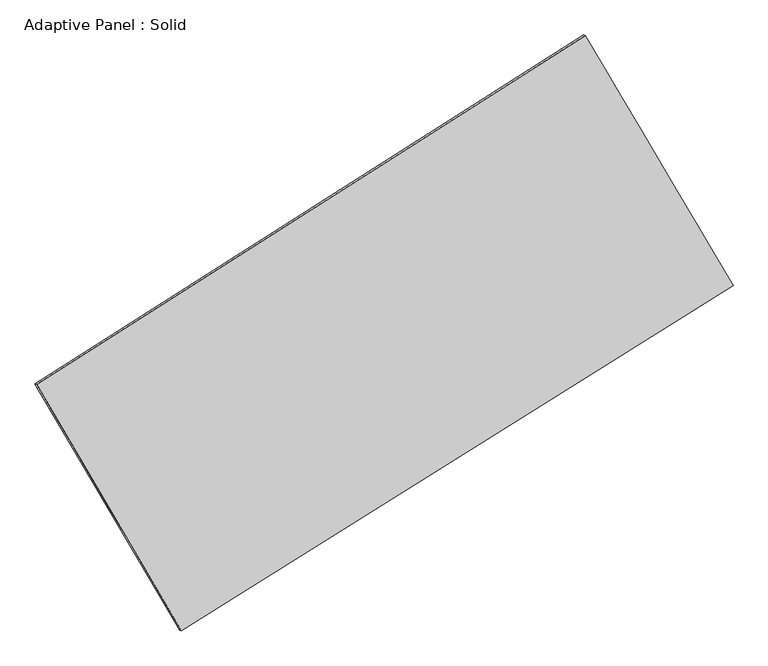
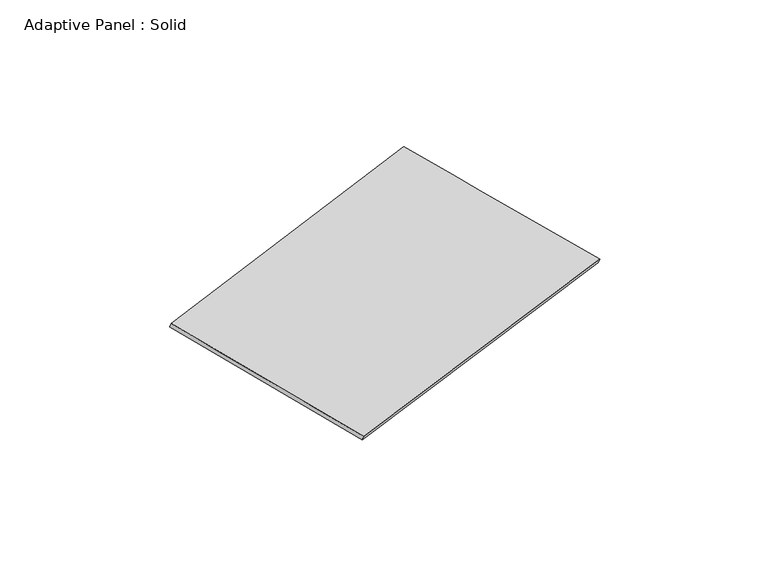
"""IFC4 building model written with IfcOpenShell, lengths in millimetres: plate geometry, Adaptive Panel : Solid."""

from ifc_helpers import new_model, si_unit, frame, origin, place, context, project, spatial, source, transform, mapped, element, save
from ifc_brep_helpers import plane_surface, spline_surface, advanced_brep


def adaptive_panel_solid_92b022d8(model_context):
    return source(origin(), model_context, "Body", "AdvancedBrep", [
        advanced_brep(
        [(1137.1874801, 2554.8859967, 668.5741523), (-3739.1862914, -548.0399909, 1773.890924), (-3724.5199356, -554.4200844, 1821.263832), (1151.8538359, 2548.5059032, 715.9470603), (-2451.8329163, -2738.6190308, 1066.7023574), (-2437.1665605, -2744.9991243, 1114.0752655), (2450.5411495, 331.5244522, -24.0449135), (2465.2075054, 325.1443588, 23.3279945)],
        [
            (0, 1),
            (1, 2),
            (2, 3),
            (3, 0),
            (1, 4),
            (4, 5),
            (5, 2),
            (4, 6),
            (6, 7),
            (7, 5),
            (6, 0),
            (3, 7),
        ],
        [
            plane_surface(frame((-1300.9994057, 1003.4230029, 1221.2325381), z_axis=(-0.4756216872548242, 0.8402209443118783, 0.260408861893235), x_axis=(-0.828662457424659, -0.5272931064361358, 0.18783107187005918))),
            plane_surface(frame((-3095.5096039, -1643.3295109, 1420.2966407), z_axis=(-0.8211582489289385, -0.5411209867165623, 0.18134830561892146), x_axis=(0.4881092347406094, -0.830573702208907, -0.2681356003217897))),
            plane_surface(frame((-0.6458834, -1203.5472893, 521.328722), z_axis=(0.4705243517913196, -0.8434387625076636, -0.2592641283920696), x_axis=(0.8328416947976004, 0.5215725008644854, -0.18530201765935264))),
            plane_surface(frame((1793.8643148, 1443.2052245, 322.2646194), z_axis=(0.820980780330368, 0.541422184290647, -0.18125279773312342), x_axis=(-0.4912366591174976, 0.8316089736328083, 0.25906188394371443))),
            spline_surface(1, 1, [[(-3724.5199356, -554.4200844, 1821.263832), (1151.8538359, 2548.5059032, 715.9470603)], [(-2437.1665605, -2744.9991243, 1114.0752655), (2465.2075054, 325.1443588, 23.3279945)]], [2, 2], [2, 2], [0.0, 1.0], [0.0, 1.0]),
            spline_surface(1, 1, [[(2450.5411495, 331.5244522, -24.0449135), (1137.1874801, 2554.8859967, 668.5741523)], [(-2451.8329163, -2738.6190308, 1066.7023574), (-3739.1862914, -548.0399909, 1773.890924)]], [2, 2], [2, 2], [0.0, 1.0], [0.0, 1.0]),
        ],
        [
            (0, [[1, 2, 3, 4]]),
            (1, [[5, 6, 7, -2]]),
            (2, [[8, 9, 10, -6]]),
            (3, [[11, -4, 12, -9]]),
            (4, [[-3, -7, -10, -12]]),
            (5, [[-11, -8, -5, -1]]),
        ],
    ),
    ])


if __name__ == "__main__":
    model = new_model("IFC4")
    model_context = context("Model", 3, world=origin())
    ifc_project = project(units=[si_unit("LENGTHUNIT", "METRE", prefix="MILLI")], contexts=[model_context])
    site = spatial("IfcSite", under=ifc_project)
    building = spatial("IfcBuilding", under=site)
    placement = place(None, origin())
    adaptive_panel_solid_shape = adaptive_panel_solid_92b022d8(model_context)
    element("IfcPlate", 1, ObjectType="Adaptive Panel : Solid", at=placement, inside=building, context=model_context, shape_type="MappedRepresentation", body=[
        mapped(adaptive_panel_solid_shape, transform((0.0, 0.0, 0.0), x_axis=(1.0, 0.0, 0.0), y_axis=(0.0, 1.0, 0.0), z_axis=(0.0, 0.0, 1.0))),
    ])
    save(model, "model.ifc")
